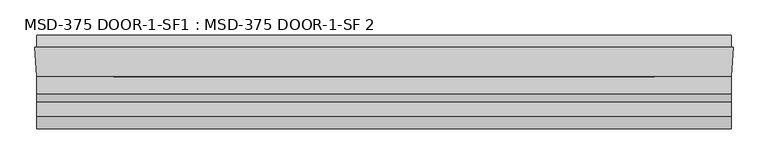
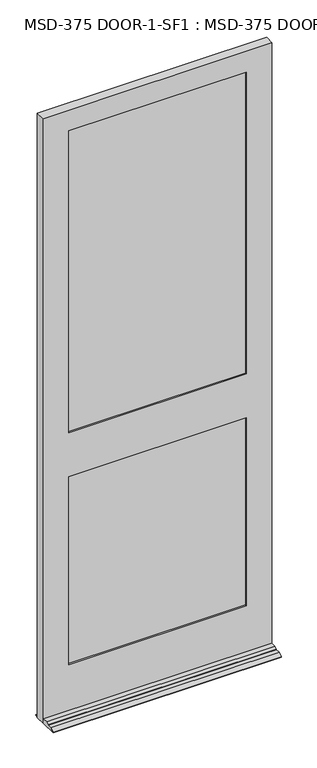
"""IFC4 building model written with IfcOpenShell, lengths in millimetres: plate geometry, MSD-375 DOOR-1-SF1 : MSD-375 DOOR-1-SF 2."""

from ifc_helpers import new_model, si_unit, frame, origin, place, context, project, spatial, polyline, outline, extrude, faceted_brep, source, transform, mapped, element, save


def msd_375_door_1_sf1_msd_375_door_1_sf_2_dcd23a25(model_context):
    return source(origin(), model_context, "Body", "SolidModel", [
        faceted_brep([(530.1603327, 1.8752528, 0.0), (527.3917327, -42.5747472, 0.0), (527.3917327, -121.9497472, 0.0), (-533.8064, -121.9497472, 0.0), (-533.8064, -42.5747472, 0.0), (-536.575, 1.8752528, 0.0), (-533.8064, 1.8752528, 0.0), (-533.8064, 20.9252528, 0.0), (527.3917327, 20.9252528, 0.0), (527.3917327, 1.8752528, 0.0), (527.3917327, -42.5747472, 21.4376), (527.3917327, -68.4446472, 21.4376), (527.3917327, -80.8652472, 14.2748), (527.3917327, -80.8652472, 12.7), (527.3917327, -102.8997472, 12.7), (527.3917327, -121.9497472, 3.175), (527.3917327, 20.9252528, 3.175), (527.3917327, 1.8752528, 12.7), (-533.8064, 1.8752528, 12.7), (-533.8064, 20.9252528, 3.175), (-533.8064, -121.9497472, 3.175), (-533.8064, -102.8997472, 12.7), (-533.8064, -80.8652472, 12.7), (-533.8064, -80.8652472, 14.2748), (-533.8064, -68.4446472, 21.4376), (-533.8064, -42.5747472, 21.4376), (530.1603327, 1.8752528, 2971.7168046), (-536.575, 1.8752528, 2971.7168046), (-415.925, 1.8752528, 1169.9748), (-415.925, 1.8752528, 246.0625), (409.5103327, 1.8752528, 246.0625), (409.5103327, 1.8752528, 1169.9748), (409.5103327, 1.8752528, 2870.1168046), (-415.925, 1.8752528, 2870.1168046), (-415.925, 1.8752528, 1385.8748), (409.5103327, 1.8752528, 1385.8748), (409.5103327, -9.7325472, 2870.1168046), (-415.925, -9.7325472, 2870.1168046), (429.3477327, -9.7325472, 1189.8249), (-435.7624, -9.7325472, 1189.8249), (-435.7624, -9.7325472, 226.2251), (429.3477327, -9.7325472, 226.2251), (-415.925, -9.7325472, 1169.9748), (409.5103327, -9.7325472, 1169.9748), (409.5103327, -9.7325472, 246.0625), (-415.925, -9.7325472, 246.0625), (429.3477327, -9.7325472, 2890.0374), (-435.7624, -9.7325472, 2890.0374), (-435.7624, -9.7325472, 1366.0374), (429.3477327, -9.7325472, 1366.0374), (409.5103327, -9.7325472, 1385.8748), (-415.925, -9.7325472, 1385.8748), (429.3477327, -35.1325472, 2890.0374), (-435.7624, -35.1325472, 2890.0374), (-435.7624, -35.1325472, 1189.8249), (429.3477327, -35.1325472, 1189.8249), (429.3477327, -35.1325472, 226.2251), (-435.7624, -35.1325472, 226.2251), (409.5103327, -35.1325472, 1169.9748), (-415.925, -35.1325472, 1169.9748), (-415.925, -35.1325472, 246.0625), (409.5103327, -35.1325472, 246.0625), (429.3477327, -35.1325472, 1366.0374), (-435.7624, -35.1325472, 1366.0374), (409.5103327, -35.1325472, 2870.1168046), (-415.925, -35.1325472, 2870.1168046), (-415.925, -35.1325472, 1385.8748), (409.5103327, -35.1325472, 1385.8748), (409.5103327, -42.5747472, 2870.1168046), (-415.925, -42.5747472, 2870.1168046), (527.3917327, -42.5747472, 2971.7168046), (-533.8064, -42.5747472, 2971.7168046), (409.5103327, -42.5747472, 1169.9748), (409.5103327, -42.5747472, 246.0625), (-415.925, -42.5747472, 246.0625), (-415.925, -42.5747472, 1169.9748), (409.5103327, -42.5747472, 1385.8748), (-415.925, -42.5747472, 1385.8748)], [[[0, 1, 2, 3, 4, 5, 6, 7, 8, 9]], [[10, 11, 12, 13, 14, 15, 2, 1]], [[8, 16, 17, 9]], [[18, 19, 7, 6]], [[3, 20, 21, 22, 23, 24, 25, 4]], [[26, 0, 9, 17, 18, 6, 5, 27], [28, 29, 30, 31], [32, 33, 34, 35]], [[32, 36, 37, 33]], [[38, 39, 40, 41], [42, 43, 44, 45]], [[46, 47, 48, 49], [37, 36, 50, 51]], [[46, 52, 53, 47]], [[54, 55, 56, 57], [58, 59, 60, 61]], [[53, 52, 62, 63], [64, 65, 66, 67]], [[64, 68, 69, 65]], [[70, 71, 25, 10], [72, 73, 74, 75], [69, 68, 76, 77]], [[70, 26, 27, 71]], [[52, 46, 49, 62]], [[56, 55, 38, 41]], [[68, 64, 67, 76]], [[72, 58, 61, 73]], [[26, 70, 10, 1, 0]], [[36, 32, 35, 50]], [[43, 31, 30, 44]], [[25, 71, 27, 5, 4]], [[65, 69, 77, 66]], [[59, 75, 74, 60]], [[40, 39, 54, 57]], [[47, 53, 63, 48]], [[33, 37, 51, 34]], [[28, 42, 45, 29]], [[35, 34, 51, 50]], [[62, 49, 48, 63]], [[67, 66, 77, 76]], [[59, 58, 72, 75]], [[38, 55, 54, 39]], [[28, 31, 43, 42]], [[57, 56, 41, 40]], [[61, 60, 74, 73]], [[11, 10, 25, 24]], [[12, 11, 24, 23]], [[13, 12, 23, 22]], [[14, 13, 22, 21]], [[15, 14, 21, 20]], [[2, 15, 20, 3]], [[16, 8, 7, 19]], [[18, 17, 16, 19]], [[30, 29, 45, 44]]]),
        extrude(outline(polyline([(-435.7624, -9.7325472), (429.3477327, -9.7325472), (429.3477327, -14.8125472), (-435.7624, -14.8125472), (-435.7624, -9.7325472)])), frame((0.0, 0.0, 226.21875), z_axis=(0.0, 0.0, 1.0), x_axis=(1.0, 0.0, 0.0)), (0.0, 0.0, 1.0), 963.60615),
        extrude(outline(polyline([(429.3477327, -24.2105472), (429.3477327, -29.2905472), (-435.7624, -29.2905472), (-435.7624, -24.2105472), (429.3477327, -24.2105472)])), frame((0.0, 0.0, 226.21875), z_axis=(0.0, 0.0, 1.0), x_axis=(1.0, 0.0, 0.0)), (0.0, 0.0, 1.0), 963.60615),
        extrude(outline(polyline([(-435.7624, -30.0525472), (429.3477327, -30.0525472), (429.3477327, -35.1325472), (-435.7624, -35.1325472), (-435.7624, -30.0525472)])), frame((0.0, 0.0, 226.21875), z_axis=(0.0, 0.0, 1.0), x_axis=(1.0, 0.0, 0.0)), (0.0, 0.0, 1.0), 963.60615),
        extrude(outline(polyline([(-433.8662802, -9.7325472), (428.7338756, -9.7325472), (428.7338756, -14.8125472), (-433.8662802, -14.8125472), (-433.8662802, -9.7325472)])), frame((0.0, 0.0, 1366.0374), z_axis=(0.0, 0.0, 1.0), x_axis=(1.0, 0.0, 0.0)), (0.0, 0.0, 1.0), 1524.0),
        extrude(outline(polyline([(428.7338756, -24.2105472), (428.7338756, -29.2905472), (-433.8662802, -29.2905472), (-433.8662802, -24.2105472), (428.7338756, -24.2105472)])), frame((0.0, 0.0, 1366.0374), z_axis=(0.0, 0.0, 1.0), x_axis=(1.0, 0.0, 0.0)), (0.0, 0.0, 1.0), 1524.0),
        extrude(outline(polyline([(-433.8662802, -30.0525472), (428.7338756, -30.0525472), (428.7338756, -35.1325472), (-433.8662802, -35.1325472), (-433.8662802, -30.0525472)])), frame((0.0, 0.0, 1366.0374), z_axis=(0.0, 0.0, 1.0), x_axis=(1.0, 0.0, 0.0)), (0.0, 0.0, 1.0), 1524.0),
    ])


if __name__ == "__main__":
    model = new_model("IFC4")
    model_context = context("Model", 3, world=origin())
    ifc_project = project(units=[si_unit("LENGTHUNIT", "METRE", prefix="MILLI")], contexts=[model_context])
    site = spatial("IfcSite", under=ifc_project)
    building = spatial("IfcBuilding", under=site)
    placement = place(None, origin())
    msd_375_door_1_sf1_msd_375_door_1_sf_2_shape = msd_375_door_1_sf1_msd_375_door_1_sf_2_dcd23a25(model_context)
    element("IfcPlate", 1, ObjectType="MSD-375 DOOR-1-SF1 : MSD-375 DOOR-1-SF 2", at=placement, inside=building, context=model_context, shape_type="MappedRepresentation", body=[
        mapped(msd_375_door_1_sf1_msd_375_door_1_sf_2_shape, transform((0.0, 0.0, 0.0), x_axis=(1.0, 0.0, 0.0), y_axis=(0.0, 1.0, 0.0), z_axis=(0.0, 0.0, 1.0))),
    ])
    save(model, "model.ifc")
